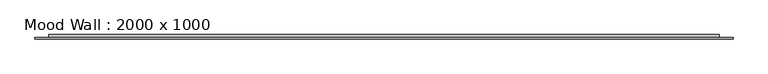
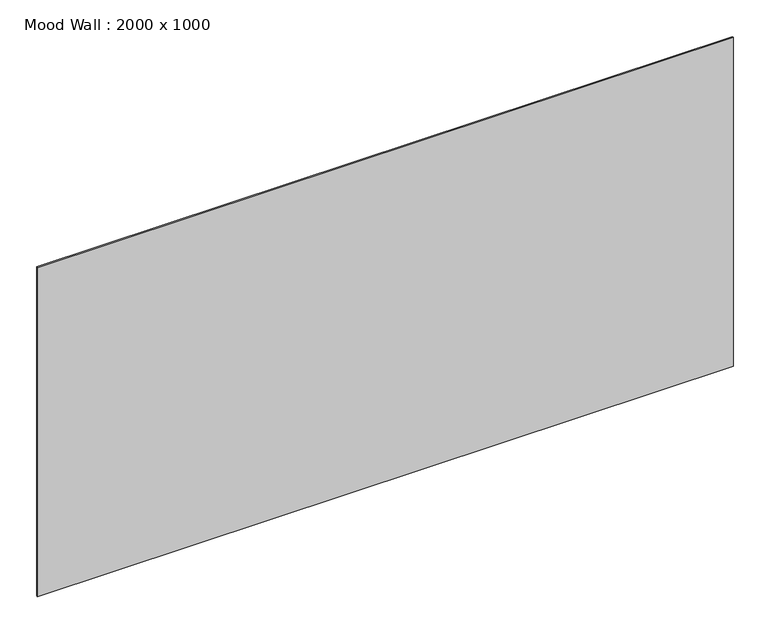
"""IFC4 building model written with IfcOpenShell, lengths in millimetres: furniture geometry, Mood Wall : 2000 x 1000."""

from ifc_helpers import new_model, si_unit, frame, origin, origin_with_axes, place, context, project, spatial, polyline, outline, extrude, source, transform, mapped, element, save


def mood_wall_2000_x_1000_cd771c9c(model_context):
    return source(origin(), model_context, "Body", "SweptSolid", [
        extrude(outline(polyline([(999.9761719, -8.0), (999.9761719, -12.0), (-999.9761719, -12.0), (-999.9761719, -8.0), (999.9761719, -8.0)])), origin_with_axes(), (0.0, 0.0, 1.0), 1000.0257813),
        extrude(outline(polyline([(959.9761719, 0.0), (959.9761719, -8.0), (-959.9761719, -8.0), (-959.9761719, 0.0), (959.9761719, 0.0)])), frame((0.0, 0.0, 40.0), z_axis=(0.0, 0.0, 1.0), x_axis=(1.0, 0.0, 0.0)), (0.0, 0.0, 1.0), 920.0257812),
    ])


if __name__ == "__main__":
    model = new_model("IFC4")
    model_context = context("Model", 3, world=origin())
    ifc_project = project(units=[si_unit("LENGTHUNIT", "METRE", prefix="MILLI")], contexts=[model_context])
    site = spatial("IfcSite", under=ifc_project)
    building = spatial("IfcBuilding", under=site)
    placement = place(None, origin())
    mood_wall_2000_x_1000_shape = mood_wall_2000_x_1000_cd771c9c(model_context)
    element("IfcFurniture", 1, ObjectType="Mood Wall : 2000 x 1000", at=placement, inside=building, context=model_context, shape_type="MappedRepresentation", body=[
        mapped(mood_wall_2000_x_1000_shape, transform((0.0, 0.0, 0.0), x_axis=(1.0, 0.0, 0.0), y_axis=(0.0, 1.0, 0.0), z_axis=(0.0, 0.0, 1.0))),
    ])
    save(model, "model.ifc")
